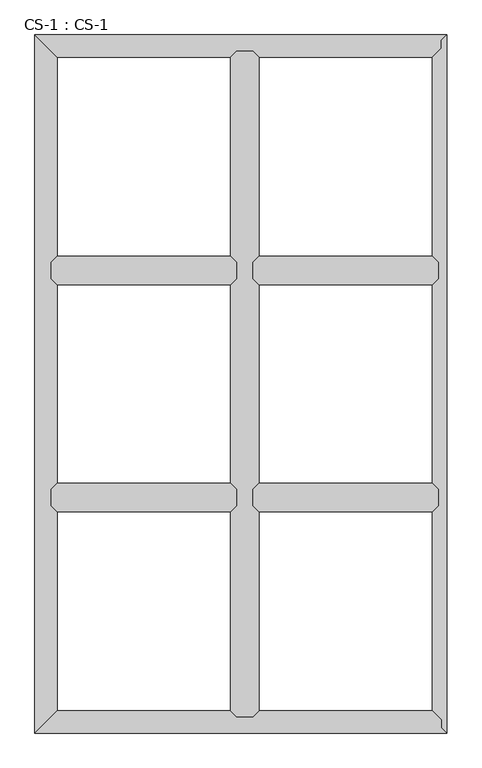
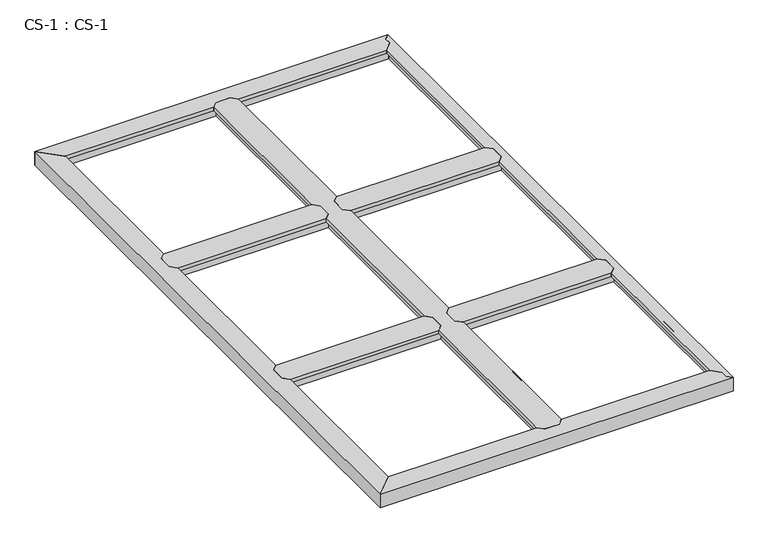
"""IFC4 building model written with IfcOpenShell, lengths in millimetres: proxy geometry, CS-1 : CS-1."""

import ifcopenshell
import ifcopenshell.guid

model = None  # the IFC model being written
_history = None  # IfcOwnerHistory: only IFC2X3 demands one
_inside = {}  # id of a spatial element -> (the spatial element, [elements in it])
_under = {}  # id of a project, library or spatial element -> (it, [spatial elements below it])
_declared = {}  # id of a project -> (the project, [libraries it declares])
_typed = {}  # id of a type object -> (the type object, [elements of that type])
_made_of = {}  # id of a material, layer set ... -> (it, [elements and type objects made of it])


def new_model(schema):
    """Start an empty IFC model of exactly this schema.

    Asked for "IFC4X3", IfcOpenShell would pick the latest addendum, in which some entities
    have other attributes; the version numbers below select the first issue.
    IFC2X3 requires an IfcOwnerHistory on every rooted entity: one is made here for all.
    """
    global model, _history
    if schema == "IFC4X3":
        model = ifcopenshell.file(schema_version=(4, 3, 0, 0))
    else:
        model = ifcopenshell.file(schema=schema)
    _inside.clear()
    _under.clear()
    _declared.clear()
    _typed.clear()
    _made_of.clear()
    _history = None
    if model.schema == "IFC2X3":
        org = make("IfcOrganization", Name="unknown")
        user = make(
            "IfcPersonAndOrganization",
            ThePerson=make("IfcPerson", FamilyName="unknown"),
            TheOrganization=org,
        )
        app = make(
            "IfcApplication",
            ApplicationDeveloper=org,
            Version="unknown",
            ApplicationFullName="unknown",
            ApplicationIdentifier="unknown",
        )
        _history = make(
            "IfcOwnerHistory",
            OwningUser=user,
            OwningApplication=app,
            ChangeAction="ADDED",
            CreationDate=0,
        )
    return model


def make(cls, **values):
    """One entity of the class cls with the attributes given. An attribute that is None is left unset."""
    return model.create_entity(
        cls, **{name: value for name, value in values.items() if value is not None}
    )


def rooted(cls, **values):
    """An entity with a GlobalId (a new one), such as an element, a storey or a relation."""
    return make(cls, GlobalId=ifcopenshell.guid.new(), OwnerHistory=_history, **values)


def si_unit(unit_type, name, prefix=None):
    """IfcSIUnit, for example si_unit("LENGTHUNIT", "METRE", prefix="MILLI")."""
    return make("IfcSIUnit", UnitType=unit_type, Prefix=prefix, Name=name)


def assignment(units):
    """IfcUnitAssignment: the units of a project."""
    return None if units is None else make("IfcUnitAssignment", Units=units)


def point(xyz):
    """IfcCartesianPoint."""
    return None if xyz is None else make("IfcCartesianPoint", Coordinates=xyz)


def direction(xyz):
    """IfcDirection."""
    return None if xyz is None else make("IfcDirection", DirectionRatios=xyz)


def frame(location, z_axis=None, x_axis=None):
    """IfcAxis2Placement3D, a coordinate frame: its origin and axes. An axis left out is left unset."""
    return make(
        "IfcAxis2Placement3D",
        Location=point(location),
        Axis=direction(z_axis),
        RefDirection=direction(x_axis),
    )


def origin():
    """The frame at (0, 0, 0) with its axes left unset."""
    return frame((0.0, 0.0, 0.0))


def place(relative_to, where):
    """IfcLocalPlacement: puts the frame where relative to a parent placement (None: the world)."""
    return make(
        "IfcLocalPlacement", PlacementRelTo=relative_to, RelativePlacement=where
    )


def context(
    kind, dimensions, precision=None, world=None, true_north=None, identifier=None
):
    """IfcGeometricRepresentationContext, for example the 3D "Model" context."""
    return make(
        "IfcGeometricRepresentationContext",
        ContextIdentifier=identifier,
        ContextType=kind,
        CoordinateSpaceDimension=dimensions,
        Precision=precision,
        WorldCoordinateSystem=world,
        TrueNorth=true_north,
    )


def project(units=None, contexts=None):
    """IfcProject with its units and contexts."""
    return rooted(
        "IfcProject",
        Name="project",
        RepresentationContexts=contexts,
        UnitsInContext=assignment(units),
    )


def spatial(cls, under=None, at=None, **own):
    """A site, building, storey or space (cls), placed at a placement, below another one or the project."""
    s = rooted(cls, ObjectPlacement=at, **own)
    if under is not None:
        _under.setdefault(under.id(), (under, []))[1].append(s)
    return s


def faces_of(points, faces, orient=None, outer=None):
    """IfcFace entities. A face is a list of loops; a loop is a list of indices into points, from 0.

    orient and outer hold one flag for each loop. By default every Orientation is true, the
    first loop of a face is its IfcFaceOuterBound and the others are IfcFaceBound.
    """
    made = []
    for i, loops in enumerate(faces):
        bounds = []
        for j, loop in enumerate(loops):
            is_outer = j == 0 if outer is None else outer[i][j]
            bounds.append(
                make(
                    "IfcFaceOuterBound" if is_outer else "IfcFaceBound",
                    Bound=make("IfcPolyLoop", Polygon=[points[k] for k in loop]),
                    Orientation=True if orient is None else orient[i][j],
                )
            )
        made.append(make("IfcFace", Bounds=bounds))
    return made


def faceted_brep(points, faces, orient=None, outer=None, voids=None):
    """IfcFacetedBrep: a solid bounded by flat faces; with voids (closed shells), ...WithVoids."""
    shared = [point(p) for p in points]
    hull = make("IfcClosedShell", CfsFaces=faces_of(shared, faces, orient, outer))
    if voids is None:
        return make("IfcFacetedBrep", Outer=hull)
    return make(
        "IfcFacetedBrepWithVoids",
        Outer=hull,
        Voids=[
            make(cls, CfsFaces=faces_of(shared, fs, o, b)) for cls, fs, o, b in voids
        ],
    )


def shape(context_of_items, identifier, shape_type, items):
    """IfcShapeRepresentation: the items that make up one representation, for example the "Body"."""
    return make(
        "IfcShapeRepresentation",
        ContextOfItems=context_of_items,
        RepresentationIdentifier=identifier,
        RepresentationType=shape_type,
        Items=items,
    )


def source(mapping_origin, context_of_items, identifier, shape_type, items):
    """IfcRepresentationMap: a shape defined once, which mapped items show again and again."""
    return make(
        "IfcRepresentationMap",
        MappingOrigin=mapping_origin,
        MappedRepresentation=shape(context_of_items, identifier, shape_type, items),
    )


def transform(
    local_origin,
    x_axis=None,
    y_axis=None,
    z_axis=None,
    scale=None,
    scale2=None,
    scale3=None,
    uniform=True,
):
    """IfcCartesianTransformationOperator3D, or its non-uniform kind. x_axis, y_axis, z_axis: its Axis1, 2, 3."""
    if uniform:
        return make(
            "IfcCartesianTransformationOperator3D",
            Axis1=direction(x_axis),
            Axis2=direction(y_axis),
            LocalOrigin=point(local_origin),
            Scale=scale,
            Axis3=direction(z_axis),
        )
    return make(
        "IfcCartesianTransformationOperator3DnonUniform",
        Axis1=direction(x_axis),
        Axis2=direction(y_axis),
        LocalOrigin=point(local_origin),
        Scale=scale,
        Axis3=direction(z_axis),
        Scale2=scale2,
        Scale3=scale3,
    )


def mapped(mapping_source, mapping_target):
    """IfcMappedItem: shows the shape of a source again, moved by a transform."""
    return make(
        "IfcMappedItem", MappingSource=mapping_source, MappingTarget=mapping_target
    )


def made_of(thing, what):
    """Note that an element or type object is made of a material, layer set ...; save() writes the relation."""
    if what is not None:
        _made_of.setdefault(what.id(), (what, []))[1].append(thing)
    return thing


def element(
    cls,
    number,
    at=None,
    inside=None,
    cuts=None,
    type_object=None,
    material=None,
    context=None,
    identifier="Body",
    shape_type=None,
    held_by="IfcProductDefinitionShape",
    body=None,
    shapes=None,
    **own,
):
    """One element of the class cls, such as IfcWall. Its Tag is "e" and its number.

    at: its placement. inside: the storey or other place that contains it. cuts: it is an
    opening in that element (IfcRelVoidsElement). A single representation is given by context,
    identifier, shape_type and body (its items); several are given by shapes. held_by: the class
    of the entity that holds the representations. save() writes the other relations.
    """
    e = rooted(cls, Tag="e%d" % number, ObjectPlacement=at, **own)
    if body is not None:
        shapes = [shape(context, identifier, shape_type, body)]
    if shapes is not None:
        e.Representation = make(held_by, Representations=shapes)
    if inside is not None:
        _inside.setdefault(inside.id(), (inside, []))[1].append(e)
    if cuts is not None:
        rooted(
            "IfcRelVoidsElement", RelatingBuildingElement=cuts, RelatedOpeningElement=e
        )
    if type_object is not None:
        _typed.setdefault(type_object.id(), (type_object, []))[1].append(e)
    return made_of(e, material)


def aggregate(whole, parts):
    """IfcRelAggregates: a whole, such as a stair, and the parts it consists of."""
    return rooted("IfcRelAggregates", RelatingObject=whole, RelatedObjects=parts)


def save(model, path):
    """Write the relations noted so far, then the file.

    IfcRelAggregates (storeys below a building ...), IfcRelContainedInSpatialStructure (elements
    in a storey), IfcRelDefinesByType, IfcRelAssociatesMaterial and IfcRelDeclares: one each for
    every whole, place, type object, material and project.
    """
    for whole, parts in _under.values():
        aggregate(whole, parts)
    for where, things in _inside.values():
        rooted(
            "IfcRelContainedInSpatialStructure",
            RelatedElements=things,
            RelatingStructure=where,
        )
    for kind, things in _typed.values():
        rooted("IfcRelDefinesByType", RelatedObjects=things, RelatingType=kind)
    for what, things in _made_of.values():
        rooted("IfcRelAssociatesMaterial", RelatedObjects=things, RelatingMaterial=what)
    for by, libraries in _declared.values():
        rooted("IfcRelDeclares", RelatingContext=by, RelatedDefinitions=libraries)
    model.write(path)


def cs_1_cs_1_2136af8d(model_context):
    return source(origin(), model_context, "Body", "Brep", [
        faceted_brep([(812.8, 914.4, 46.355), (812.8, 914.4, 0.0), (812.8, 921.385, 0.0), (812.8, 921.385, 63.5), (812.8, 973.455, 63.5), (812.8, 973.455, 0.0), (812.8, 980.44, 0.0), (812.8, 980.44, 46.355), (812.8, 980.44, 66.675), (812.8, 914.4, 66.675), (66.04, 980.44, 46.355), (66.04, 980.44, 0.0), (66.04, 973.455, 0.0), (66.04, 973.455, 63.5), (66.04, 921.385, 63.5), (66.04, 921.385, 0.0), (66.04, 914.4, 0.0), (66.04, 914.4, 46.355), (66.04, 914.4, 66.675), (66.04, 980.44, 66.675), (90.678, 1005.078, 66.675), (788.162, 1005.078, 66.675), (788.162, 1005.078, 49.8094), (90.678, 1005.078, 49.8094), (789.686, 1003.554, 49.8094), (89.154, 1003.554, 49.8094), (789.686, 1003.554, 64.643), (89.154, 1003.554, 64.643), (799.973, 993.267, 64.643), (78.867, 993.267, 64.643), (799.973, 993.267, 46.355), (78.867, 993.267, 46.355), (799.973, 901.573, 46.355), (78.867, 901.573, 46.355), (799.973, 901.573, 64.643), (78.867, 901.573, 64.643), (789.686, 891.286, 64.643), (89.154, 891.286, 64.643), (789.686, 891.286, 49.8094), (89.154, 891.286, 49.8094), (788.162, 889.762, 49.8094), (90.678, 889.762, 49.8094), (788.162, 889.762, 66.675), (90.678, 889.762, 66.675)], [[[0, 1, 2, 3, 4, 5, 6, 7, 8, 9]], [[10, 11, 12, 13, 14, 15, 16, 17, 18, 19]], [[20, 21, 22, 23]], [[23, 22, 24, 25]], [[25, 24, 26, 27]], [[27, 26, 28, 29]], [[29, 28, 30, 31]], [[7, 10, 31, 30]], [[7, 6, 11, 10]], [[6, 5, 12, 11]], [[5, 4, 13, 12]], [[4, 3, 14, 13]], [[3, 2, 15, 14]], [[2, 1, 16, 15]], [[1, 0, 17, 16]], [[17, 0, 32, 33]], [[33, 32, 34, 35]], [[35, 34, 36, 37]], [[37, 36, 38, 39]], [[39, 38, 40, 41]], [[41, 40, 42, 43]], [[9, 8, 21, 20, 19, 18, 43, 42]], [[10, 19, 20, 23, 25, 27, 29, 31]], [[18, 17, 33, 35, 37, 39, 41, 43]], [[0, 9, 42, 40, 38, 36, 34, 32]], [[8, 7, 30, 28, 26, 24, 22, 21]]]),
        faceted_brep([(812.8, 1828.8, 46.355), (812.8, 1828.8, 0.0), (812.8, 1835.785, 0.0), (812.8, 1835.785, 63.5), (812.8, 1887.855, 63.5), (812.8, 1887.855, 0.0), (812.8, 1894.84, 0.0), (812.8, 1894.84, 46.355), (812.8, 1894.84, 66.675), (812.8, 1828.8, 66.675), (66.04, 1894.84, 46.355), (66.04, 1894.84, 0.0), (66.04, 1887.855, 0.0), (66.04, 1887.855, 63.5), (66.04, 1835.785, 63.5), (66.04, 1835.785, 0.0), (66.04, 1828.8, 0.0), (66.04, 1828.8, 46.355), (66.04, 1828.8, 66.675), (66.04, 1894.84, 66.675), (90.678, 1919.478, 66.675), (788.162, 1919.478, 66.675), (788.162, 1919.478, 49.8094), (90.678, 1919.478, 49.8094), (789.686, 1917.954, 49.8094), (89.154, 1917.954, 49.8094), (789.686, 1917.954, 64.643), (89.154, 1917.954, 64.643), (799.973, 1907.667, 64.643), (78.867, 1907.667, 64.643), (799.973, 1907.667, 46.355), (78.867, 1907.667, 46.355), (799.973, 1815.973, 46.355), (78.867, 1815.973, 46.355), (799.973, 1815.973, 64.643), (78.867, 1815.973, 64.643), (789.686, 1805.686, 64.643), (89.154, 1805.686, 64.643), (789.686, 1805.686, 49.8094), (89.154, 1805.686, 49.8094), (788.162, 1804.162, 49.8094), (90.678, 1804.162, 49.8094), (788.162, 1804.162, 66.675), (90.678, 1804.162, 66.675)], [[[0, 1, 2, 3, 4, 5, 6, 7, 8, 9]], [[10, 11, 12, 13, 14, 15, 16, 17, 18, 19]], [[20, 21, 22, 23]], [[23, 22, 24, 25]], [[25, 24, 26, 27]], [[27, 26, 28, 29]], [[29, 28, 30, 31]], [[7, 10, 31, 30]], [[7, 6, 11, 10]], [[6, 5, 12, 11]], [[5, 4, 13, 12]], [[4, 3, 14, 13]], [[3, 2, 15, 14]], [[2, 1, 16, 15]], [[1, 0, 17, 16]], [[17, 0, 32, 33]], [[33, 32, 34, 35]], [[35, 34, 36, 37]], [[37, 36, 38, 39]], [[39, 38, 40, 41]], [[41, 40, 42, 43]], [[9, 8, 21, 20, 19, 18, 43, 42]], [[10, 19, 20, 23, 25, 27, 29, 31]], [[18, 17, 33, 35, 37, 39, 41, 43]], [[0, 9, 42, 40, 38, 36, 34, 32]], [[8, 7, 30, 28, 26, 24, 22, 21]]]),
        faceted_brep([(1625.6, 1828.8, 46.355), (1625.6, 1828.8, 0.0), (1625.6, 1835.785, 0.0), (1625.6, 1835.785, 63.5), (1625.6, 1887.855, 63.5), (1625.6, 1887.855, 0.0), (1625.6, 1894.84, 0.0), (1625.6, 1894.84, 46.355), (1625.6, 1894.84, 66.675), (1625.6, 1828.8, 66.675), (878.84, 1894.84, 46.355), (878.84, 1894.84, 0.0), (878.84, 1887.855, 0.0), (878.84, 1887.855, 63.5), (878.84, 1835.785, 63.5), (878.84, 1835.785, 0.0), (878.84, 1828.8, 0.0), (878.84, 1828.8, 46.355), (878.84, 1828.8, 66.675), (878.84, 1894.84, 66.675), (903.478, 1919.478, 66.675), (1600.962, 1919.478, 66.675), (1600.962, 1919.478, 49.8094), (903.478, 1919.478, 49.8094), (1602.486, 1917.954, 49.8094), (901.954, 1917.954, 49.8094), (1602.486, 1917.954, 64.643), (901.954, 1917.954, 64.643), (1612.773, 1907.667, 64.643), (891.667, 1907.667, 64.643), (1612.773, 1907.667, 46.355), (891.667, 1907.667, 46.355), (1612.773, 1815.973, 46.355), (891.667, 1815.973, 46.355), (1612.773, 1815.973, 64.643), (891.667, 1815.973, 64.643), (1602.486, 1805.686, 64.643), (901.954, 1805.686, 64.643), (1602.486, 1805.686, 49.8094), (901.954, 1805.686, 49.8094), (1600.962, 1804.162, 49.8094), (903.478, 1804.162, 49.8094), (1600.962, 1804.162, 66.675), (903.478, 1804.162, 66.675)], [[[0, 1, 2, 3, 4, 5, 6, 7, 8, 9]], [[10, 11, 12, 13, 14, 15, 16, 17, 18, 19]], [[20, 21, 22, 23]], [[23, 22, 24, 25]], [[25, 24, 26, 27]], [[27, 26, 28, 29]], [[29, 28, 30, 31]], [[7, 10, 31, 30]], [[7, 6, 11, 10]], [[6, 5, 12, 11]], [[5, 4, 13, 12]], [[4, 3, 14, 13]], [[3, 2, 15, 14]], [[2, 1, 16, 15]], [[1, 0, 17, 16]], [[17, 0, 32, 33]], [[33, 32, 34, 35]], [[35, 34, 36, 37]], [[37, 36, 38, 39]], [[39, 38, 40, 41]], [[41, 40, 42, 43]], [[9, 8, 21, 20, 19, 18, 43, 42]], [[10, 19, 20, 23, 25, 27, 29, 31]], [[18, 17, 33, 35, 37, 39, 41, 43]], [[0, 9, 42, 40, 38, 36, 34, 32]], [[8, 7, 30, 28, 26, 24, 22, 21]]]),
        faceted_brep([(1625.6, 914.4, 46.355), (1625.6, 914.4, 0.0), (1625.6, 921.385, 0.0), (1625.6, 921.385, 63.5), (1625.6, 973.455, 63.5), (1625.6, 973.455, 0.0), (1625.6, 980.44, 0.0), (1625.6, 980.44, 46.355), (1625.6, 980.44, 66.675), (1625.6, 914.4, 66.675), (878.84, 980.44, 46.355), (878.84, 980.44, 0.0), (878.84, 973.455, 0.0), (878.84, 973.455, 63.5), (878.84, 921.385, 63.5), (878.84, 921.385, 0.0), (878.84, 914.4, 0.0), (878.84, 914.4, 46.355), (878.84, 914.4, 66.675), (878.84, 980.44, 66.675), (903.478, 1005.078, 66.675), (1600.962, 1005.078, 66.675), (1600.962, 1005.078, 49.8094), (903.478, 1005.078, 49.8094), (1602.486, 1003.554, 49.8094), (901.954, 1003.554, 49.8094), (1602.486, 1003.554, 64.643), (901.954, 1003.554, 64.643), (1612.773, 993.267, 64.643), (891.667, 993.267, 64.643), (1612.773, 993.267, 46.355), (891.667, 993.267, 46.355), (1612.773, 901.573, 46.355), (891.667, 901.573, 46.355), (1612.773, 901.573, 64.643), (891.667, 901.573, 64.643), (1602.486, 891.286, 64.643), (901.954, 891.286, 64.643), (1602.486, 891.286, 49.8094), (901.954, 891.286, 49.8094), (1600.962, 889.762, 49.8094), (903.478, 889.762, 49.8094), (1600.962, 889.762, 66.675), (903.478, 889.762, 66.675)], [[[0, 1, 2, 3, 4, 5, 6, 7, 8, 9]], [[10, 11, 12, 13, 14, 15, 16, 17, 18, 19]], [[20, 21, 22, 23]], [[23, 22, 24, 25]], [[25, 24, 26, 27]], [[27, 26, 28, 29]], [[29, 28, 30, 31]], [[7, 10, 31, 30]], [[7, 6, 11, 10]], [[6, 5, 12, 11]], [[5, 4, 13, 12]], [[4, 3, 14, 13]], [[3, 2, 15, 14]], [[2, 1, 16, 15]], [[1, 0, 17, 16]], [[17, 0, 32, 33]], [[33, 32, 34, 35]], [[35, 34, 36, 37]], [[37, 36, 38, 39]], [[39, 38, 40, 41]], [[41, 40, 42, 43]], [[9, 8, 21, 20, 19, 18, 43, 42]], [[10, 19, 20, 23, 25, 27, 29, 31]], [[18, 17, 33, 35, 37, 39, 41, 43]], [[0, 9, 42, 40, 38, 36, 34, 32]], [[8, 7, 30, 28, 26, 24, 22, 21]]]),
        faceted_brep([(878.84, 2743.2, 46.355), (878.84, 2743.2, 0.0), (871.855, 2743.2, 0.0), (871.855, 2743.2, 63.5), (819.785, 2743.2, 63.5), (819.785, 2743.2, 0.0), (812.8, 2743.2, 0.0), (812.8, 2743.2, 46.355), (812.8, 2743.2, 66.675), (878.84, 2743.2, 66.675), (812.8, 66.04, 46.355), (812.8, 66.04, 0.0), (819.785, 66.04, 0.0), (819.785, 66.04, 63.5), (871.855, 66.04, 63.5), (871.855, 66.04, 0.0), (878.84, 66.04, 0.0), (878.84, 66.04, 46.355), (878.84, 66.04, 66.675), (812.8, 66.04, 66.675), (788.162, 90.678, 49.8094), (788.162, 90.678, 66.675), (788.162, 889.762, 66.675), (788.162, 889.762, 49.8094), (788.162, 2718.562, 66.675), (788.162, 2718.562, 49.8094), (788.162, 1919.478, 49.8094), (788.162, 1919.478, 66.675), (788.162, 1005.078, 49.8094), (788.162, 1005.078, 66.675), (788.162, 1804.162, 66.675), (788.162, 1804.162, 49.8094), (789.686, 89.154, 49.8094), (789.686, 891.286, 49.8094), (789.686, 2720.086, 49.8094), (789.686, 1917.954, 49.8094), (789.686, 1003.554, 49.8094), (789.686, 1805.686, 49.8094), (789.686, 89.154, 64.643), (789.686, 891.286, 64.643), (789.686, 2720.086, 64.643), (789.686, 1917.954, 64.643), (789.686, 1003.554, 64.643), (789.686, 1805.686, 64.643), (799.973, 78.867, 64.643), (799.973, 901.573, 64.643), (799.973, 2730.373, 64.643), (799.973, 1907.667, 64.643), (799.973, 993.267, 64.643), (799.973, 1815.973, 64.643), (799.973, 78.867, 46.355), (799.973, 901.573, 46.355), (799.973, 2730.373, 46.355), (799.973, 1907.667, 46.355), (799.973, 993.267, 46.355), (799.973, 1815.973, 46.355), (812.8, 914.4, 46.355), (812.8, 1894.84, 46.355), (812.8, 980.44, 46.355), (812.8, 1828.8, 46.355), (812.8, 914.4, 66.675), (812.8, 980.44, 66.675), (812.8, 1828.8, 66.675), (812.8, 1894.84, 66.675), (878.84, 1894.84, 46.355), (878.84, 1894.84, 66.675), (878.84, 1828.8, 66.675), (878.84, 1828.8, 46.355), (878.84, 980.44, 46.355), (878.84, 980.44, 66.675), (878.84, 914.4, 66.675), (878.84, 914.4, 46.355), (891.667, 78.867, 46.355), (891.667, 901.573, 46.355), (891.667, 2730.373, 46.355), (891.667, 1907.667, 46.355), (891.667, 993.267, 46.355), (891.667, 1815.973, 46.355), (891.667, 78.867, 64.643), (891.667, 901.573, 64.643), (891.667, 2730.373, 64.643), (891.667, 1907.667, 64.643), (891.667, 993.267, 64.643), (891.667, 1815.973, 64.643), (901.954, 89.154, 64.643), (901.954, 891.286, 64.643), (901.954, 2720.086, 64.643), (901.954, 1917.954, 64.643), (901.954, 1003.554, 64.643), (901.954, 1805.686, 64.643), (901.954, 89.154, 49.8094), (901.954, 891.286, 49.8094), (901.954, 2720.086, 49.8094), (901.954, 1917.954, 49.8094), (901.954, 1003.554, 49.8094), (901.954, 1805.686, 49.8094), (903.478, 90.678, 49.8094), (903.478, 889.762, 49.8094), (903.478, 2718.562, 49.8094), (903.478, 1919.478, 49.8094), (903.478, 1005.078, 49.8094), (903.478, 1804.162, 49.8094), (903.478, 90.678, 66.675), (903.478, 889.762, 66.675), (903.478, 2718.562, 66.675), (903.478, 1919.478, 66.675), (903.478, 1005.078, 66.675), (903.478, 1804.162, 66.675)], [[[0, 1, 2, 3, 4, 5, 6, 7, 8, 9]], [[10, 11, 12, 13, 14, 15, 16, 17, 18, 19]], [[20, 21, 22, 23]], [[24, 25, 26, 27]], [[28, 29, 30, 31]], [[32, 20, 23, 33]], [[25, 34, 35, 26]], [[36, 28, 31, 37]], [[38, 32, 33, 39]], [[34, 40, 41, 35]], [[42, 36, 37, 43]], [[44, 38, 39, 45]], [[40, 46, 47, 41]], [[48, 42, 43, 49]], [[50, 44, 45, 51]], [[46, 52, 53, 47]], [[54, 48, 49, 55]], [[10, 50, 51, 56]], [[52, 7, 57, 53]], [[58, 54, 55, 59]], [[7, 6, 11, 10, 56, 60, 61, 58, 59, 62, 63, 57]], [[6, 5, 12, 11]], [[5, 4, 13, 12]], [[4, 3, 14, 13]], [[3, 2, 15, 14]], [[2, 1, 16, 15]], [[1, 0, 64, 65, 66, 67, 68, 69, 70, 71, 17, 16]], [[72, 17, 71, 73]], [[0, 74, 75, 64]], [[76, 68, 67, 77]], [[78, 72, 73, 79]], [[74, 80, 81, 75]], [[82, 76, 77, 83]], [[84, 78, 79, 85]], [[80, 86, 87, 81]], [[88, 82, 83, 89]], [[90, 84, 85, 91]], [[86, 92, 93, 87]], [[94, 88, 89, 95]], [[96, 90, 91, 97]], [[92, 98, 99, 93]], [[100, 94, 95, 101]], [[102, 96, 97, 103]], [[98, 104, 105, 99]], [[106, 100, 101, 107]], [[9, 8, 24, 27, 63, 62, 30, 29, 61, 60, 22, 21, 19, 18, 102, 103, 70, 69, 106, 107, 66, 65, 105, 104]], [[10, 19, 21, 20, 32, 38, 44, 50]], [[18, 17, 72, 78, 84, 90, 96, 102]], [[0, 9, 104, 98, 92, 86, 80, 74]], [[8, 7, 52, 46, 40, 34, 25, 24]], [[60, 56, 51, 45, 39, 33, 23, 22]], [[58, 61, 29, 28, 36, 42, 48, 54]], [[62, 59, 55, 49, 43, 37, 31, 30]], [[57, 63, 27, 26, 35, 41, 47, 53]], [[69, 68, 76, 82, 88, 94, 100, 106]], [[71, 70, 103, 97, 91, 85, 79, 73]], [[65, 64, 75, 81, 87, 93, 99, 105]], [[67, 66, 107, 101, 95, 89, 83, 77]]]),
        faceted_brep([(1658.62, 0.0, 0.0), (0.0, 0.0, 0.0), (6.985, 6.985, 0.0), (1651.635, 6.985, 0.0), (1651.635, 6.985, 63.5), (6.985, 6.985, 63.5), (1637.03, 21.59, 63.5), (59.055, 59.055, 63.5), (1631.5093878, 59.055, 63.5), (1637.03, 53.34, 63.5), (1631.5093878, 59.055, 0.0), (59.055, 59.055, 0.0), (66.04, 66.04, 0.0), (1624.7619728, 66.04, 0.0), (1624.7619728, 66.04, 46.355), (66.04, 66.04, 46.355), (812.8, 66.04, 46.355), (812.8, 66.04, 66.675), (878.84, 66.04, 66.675), (878.84, 66.04, 46.355), (1612.3712653, 78.867, 46.355), (891.667, 78.867, 46.355), (78.867, 78.867, 46.355), (799.973, 78.867, 46.355), (1612.3712653, 78.867, 63.5), (891.667, 78.867, 63.5), (78.867, 78.867, 63.5), (799.973, 78.867, 63.5), (1602.4341633, 89.154, 63.5), (901.954, 89.154, 63.5), (89.154, 89.154, 63.5), (789.686, 89.154, 63.5), (1602.4341633, 89.154, 49.8094), (901.954, 89.154, 49.8094), (89.154, 89.154, 49.8094), (789.686, 89.154, 49.8094), (1600.962, 90.678, 49.8094), (903.478, 90.678, 49.8094), (90.678, 90.678, 49.8094), (788.162, 90.678, 49.8094), (1600.962, 90.678, 66.675), (903.478, 90.678, 66.675), (90.678, 90.678, 66.675), (788.162, 90.678, 66.675), (0.0, 0.0, 66.675), (1658.62, 0.0, 66.675), (1637.03, 21.59, 66.675), (1637.03, 53.34, 66.675)], [[[0, 1, 2, 3]], [[4, 3, 2, 5]], [[6, 4, 5, 7, 8, 9]], [[10, 8, 7, 11]], [[12, 13, 10, 11]], [[14, 13, 12, 15, 16, 17, 18, 19]], [[20, 14, 19, 21]], [[15, 22, 23, 16]], [[24, 20, 21, 25]], [[22, 26, 27, 23]], [[28, 24, 25, 29]], [[26, 30, 31, 27]], [[32, 28, 29, 33]], [[30, 34, 35, 31]], [[36, 32, 33, 37]], [[34, 38, 39, 35]], [[40, 36, 37, 41]], [[38, 42, 43, 39]], [[44, 45, 46, 47, 40, 41, 18, 17, 43, 42]], [[1, 0, 45, 44]], [[6, 46, 45, 0, 3, 4]], [[47, 9, 8, 10, 13, 14, 20, 24, 28, 32, 36, 40]], [[46, 6, 9, 47]], [[2, 1, 44, 42, 38, 34, 30, 26, 22, 15, 12, 11, 7, 5]], [[17, 16, 23, 27, 31, 35, 39, 43]], [[19, 18, 41, 37, 33, 29, 25, 21]]]),
        faceted_brep([(1658.62, 0.0, 66.675), (1658.62, 2809.24, 66.675), (1637.03, 2787.65, 66.675), (1637.03, 2755.9, 66.675), (1600.962, 2718.562, 66.675), (1600.962, 1919.478, 66.675), (1625.6, 1894.84, 66.675), (1625.6, 1828.8, 66.675), (1600.962, 1804.162, 66.675), (1600.962, 1005.078, 66.675), (1625.6, 980.44, 66.675), (1625.6, 914.4, 66.675), (1600.962, 889.762, 66.675), (1600.962, 90.678, 66.675), (1637.03, 53.34, 66.675), (1637.03, 21.59, 66.675), (1658.62, 0.0, 63.5), (1658.62, 2809.24, 63.5), (1637.03, 21.59, 63.5), (1637.03, 53.34, 63.5), (1632.585, 57.9415141, 63.5), (1632.585, 2751.2984859, 63.5), (1637.03, 2755.9, 63.5), (1637.03, 2787.65, 63.5), (1632.585, 2751.2984859, 0.0), (1632.585, 57.9415141, 0.0), (1625.6, 65.1724648, 0.0), (1625.6, 2744.0675352, 0.0), (1625.6, 2744.0675352, 46.355), (1625.6, 65.1724648, 46.355), (1625.6, 914.4, 46.355), (1625.6, 980.44, 46.355), (1625.6, 1828.8, 46.355), (1625.6, 1894.84, 46.355), (1612.773, 2730.7888803, 46.355), (1612.773, 1907.667, 46.355), (1612.773, 78.4511197, 46.355), (1612.773, 901.573, 46.355), (1612.773, 1815.973, 46.355), (1612.773, 993.267, 46.355), (1612.773, 2730.7888803, 64.643), (1612.773, 1907.667, 64.643), (1612.773, 78.4511197, 64.643), (1612.773, 901.573, 64.643), (1612.773, 1815.973, 64.643), (1612.773, 993.267, 64.643), (1602.486, 2720.139662, 64.643), (1602.486, 1917.954, 64.643), (1602.486, 89.100338, 64.643), (1602.486, 891.286, 64.643), (1602.486, 1805.686, 64.643), (1602.486, 1003.554, 64.643), (1602.486, 2720.139662, 49.8094), (1602.486, 1917.954, 49.8094), (1602.486, 89.100338, 49.8094), (1602.486, 891.286, 49.8094), (1602.486, 1805.686, 49.8094), (1602.486, 1003.554, 49.8094), (1600.962, 2718.562, 49.8094), (1600.962, 1919.478, 49.8094), (1600.962, 90.678, 49.8094), (1600.962, 889.762, 49.8094), (1600.962, 1804.162, 49.8094), (1600.962, 1005.078, 49.8094)], [[[0, 1, 2, 3, 4, 5, 6, 7, 8, 9, 10, 11, 12, 13, 14, 15]], [[1, 0, 16, 17]], [[17, 16, 18, 19, 20, 21, 22, 23]], [[24, 21, 20, 25]], [[26, 27, 24, 25]], [[28, 27, 26, 29, 30, 11, 10, 31, 32, 7, 6, 33]], [[34, 28, 33, 35]], [[29, 36, 37, 30]], [[38, 32, 31, 39]], [[40, 34, 35, 41]], [[36, 42, 43, 37]], [[44, 38, 39, 45]], [[46, 40, 41, 47]], [[42, 48, 49, 43]], [[50, 44, 45, 51]], [[52, 46, 47, 53]], [[48, 54, 55, 49]], [[56, 50, 51, 57]], [[58, 52, 53, 59]], [[54, 60, 61, 55]], [[62, 56, 57, 63]], [[4, 58, 59, 5]], [[60, 13, 12, 61]], [[8, 62, 63, 9]], [[23, 2, 1, 17]], [[3, 22, 21, 24, 27, 28, 34, 40, 46, 52, 58, 4]], [[2, 23, 22, 3]], [[18, 15, 14, 19]], [[19, 14, 13, 60, 54, 48, 42, 36, 29, 26, 25, 20]], [[15, 18, 16, 0]], [[7, 32, 38, 44, 50, 56, 62, 8]], [[33, 6, 5, 59, 53, 47, 41, 35]], [[11, 30, 37, 43, 49, 55, 61, 12]], [[31, 10, 9, 63, 57, 51, 45, 39]]]),
        faceted_brep([(0.0, 2809.24, 0.0), (1658.62, 2809.24, 0.0), (1651.635, 2802.255, 0.0), (6.985, 2802.255, 0.0), (6.985, 2802.255, 63.5), (1651.635, 2802.255, 63.5), (59.055, 2750.185, 63.5), (1637.03, 2787.65, 63.5), (1637.03, 2755.9, 63.5), (1631.5093878, 2750.185, 63.5), (59.055, 2750.185, 0.0), (1631.5093878, 2750.185, 0.0), (1624.7619728, 2743.2, 0.0), (66.04, 2743.2, 0.0), (66.04, 2743.2, 46.355), (1624.7619728, 2743.2, 46.355), (878.84, 2743.2, 46.355), (878.84, 2743.2, 66.675), (812.8, 2743.2, 66.675), (812.8, 2743.2, 46.355), (78.867, 2730.373, 46.355), (799.973, 2730.373, 46.355), (1612.3712653, 2730.373, 46.355), (891.667, 2730.373, 46.355), (78.867, 2730.373, 63.5), (799.973, 2730.373, 63.5), (1612.3712653, 2730.373, 63.5), (891.667, 2730.373, 63.5), (89.154, 2720.086, 63.5), (789.686, 2720.086, 63.5), (1602.4341633, 2720.086, 63.5), (901.954, 2720.086, 63.5), (89.154, 2720.086, 49.8094), (789.686, 2720.086, 49.8094), (1602.4341633, 2720.086, 49.8094), (901.954, 2720.086, 49.8094), (90.678, 2718.562, 49.8094), (788.162, 2718.562, 49.8094), (1600.962, 2718.562, 49.8094), (903.478, 2718.562, 49.8094), (90.678, 2718.562, 66.675), (788.162, 2718.562, 66.675), (1600.962, 2718.562, 66.675), (903.478, 2718.562, 66.675), (1658.62, 2809.24, 66.675), (0.0, 2809.24, 66.675), (1637.03, 2755.9, 66.675), (1637.03, 2787.65, 66.675)], [[[0, 1, 2, 3]], [[4, 3, 2, 5]], [[6, 4, 5, 7, 8, 9]], [[10, 6, 9, 11]], [[12, 13, 10, 11]], [[14, 13, 12, 15, 16, 17, 18, 19]], [[20, 14, 19, 21]], [[15, 22, 23, 16]], [[24, 20, 21, 25]], [[22, 26, 27, 23]], [[28, 24, 25, 29]], [[26, 30, 31, 27]], [[32, 28, 29, 33]], [[30, 34, 35, 31]], [[36, 32, 33, 37]], [[34, 38, 39, 35]], [[40, 36, 37, 41]], [[38, 42, 43, 39]], [[44, 45, 40, 41, 18, 17, 43, 42, 46, 47]], [[1, 0, 45, 44]], [[0, 3, 4, 6, 10, 13, 14, 20, 24, 28, 32, 36, 40, 45]], [[7, 47, 46, 8]], [[8, 46, 42, 38, 34, 30, 26, 22, 15, 12, 11, 9]], [[47, 7, 5, 2, 1, 44]], [[17, 16, 23, 27, 31, 35, 39, 43]], [[19, 18, 41, 37, 33, 29, 25, 21]]]),
        faceted_brep([(0.0, 0.0, 0.0), (0.0, 2809.24, 0.0), (6.985, 2802.255, 0.0), (6.985, 6.985, 0.0), (6.985, 6.985, 63.5), (6.985, 2802.255, 63.5), (59.055, 59.055, 63.5), (59.055, 2750.185, 63.5), (59.055, 59.055, 0.0), (59.055, 2750.185, 0.0), (66.04, 2743.2, 0.0), (66.04, 66.04, 0.0), (66.04, 66.04, 46.355), (66.04, 2743.2, 46.355), (66.04, 1894.84, 46.355), (66.04, 1894.84, 66.675), (66.04, 1828.8, 66.675), (66.04, 1828.8, 46.355), (66.04, 980.44, 46.355), (66.04, 980.44, 66.675), (66.04, 914.4, 66.675), (66.04, 914.4, 46.355), (78.867, 78.867, 46.355), (78.867, 901.573, 46.355), (78.867, 2730.373, 46.355), (78.867, 1907.667, 46.355), (78.867, 993.267, 46.355), (78.867, 1815.973, 46.355), (78.867, 78.867, 63.5), (78.867, 901.573, 63.5), (78.867, 2730.373, 63.5), (78.867, 1907.667, 63.5), (78.867, 993.267, 63.5), (78.867, 1815.973, 63.5), (89.154, 89.154, 63.5), (89.154, 891.286, 63.5), (89.154, 2720.086, 63.5), (89.154, 1917.954, 63.5), (89.154, 1003.554, 63.5), (89.154, 1805.686, 63.5), (89.154, 89.154, 49.8094), (89.154, 891.286, 49.8094), (89.154, 2720.086, 49.8094), (89.154, 1917.954, 49.8094), (89.154, 1003.554, 49.8094), (89.154, 1805.686, 49.8094), (90.678, 90.678, 49.8094), (90.678, 889.762, 49.8094), (90.678, 2718.562, 49.8094), (90.678, 1919.478, 49.8094), (90.678, 1005.078, 49.8094), (90.678, 1804.162, 49.8094), (90.678, 90.678, 66.675), (90.678, 889.762, 66.675), (90.678, 2718.562, 66.675), (90.678, 1919.478, 66.675), (90.678, 1005.078, 66.675), (90.678, 1804.162, 66.675), (0.0, 2809.24, 66.675), (0.0, 0.0, 66.675)], [[[0, 1, 2, 3]], [[4, 3, 2, 5]], [[6, 4, 5, 7]], [[8, 6, 7, 9]], [[10, 11, 8, 9]], [[12, 11, 10, 13, 14, 15, 16, 17, 18, 19, 20, 21]], [[22, 12, 21, 23]], [[13, 24, 25, 14]], [[26, 18, 17, 27]], [[28, 22, 23, 29]], [[24, 30, 31, 25]], [[32, 26, 27, 33]], [[34, 28, 29, 35]], [[30, 36, 37, 31]], [[38, 32, 33, 39]], [[40, 34, 35, 41]], [[36, 42, 43, 37]], [[44, 38, 39, 45]], [[46, 40, 41, 47]], [[42, 48, 49, 43]], [[50, 44, 45, 51]], [[52, 46, 47, 53]], [[48, 54, 55, 49]], [[56, 50, 51, 57]], [[58, 59, 52, 53, 20, 19, 56, 57, 16, 15, 55, 54]], [[1, 0, 59, 58]], [[0, 3, 4, 6, 8, 11, 12, 22, 28, 34, 40, 46, 52, 59]], [[2, 1, 58, 54, 48, 42, 36, 30, 24, 13, 10, 9, 7, 5]], [[19, 18, 26, 32, 38, 44, 50, 56]], [[21, 20, 53, 47, 41, 35, 29, 23]], [[15, 14, 25, 31, 37, 43, 49, 55]], [[17, 16, 57, 51, 45, 39, 33, 27]]]),
    ])


if __name__ == "__main__":
    model = new_model("IFC4")
    model_context = context("Model", 3, world=origin())
    ifc_project = project(units=[si_unit("LENGTHUNIT", "METRE", prefix="MILLI")], contexts=[model_context])
    site = spatial("IfcSite", under=ifc_project)
    building = spatial("IfcBuilding", under=site)
    placement = place(None, origin())
    cs_1_cs_1_shape = cs_1_cs_1_2136af8d(model_context)
    element("IfcBuildingElementProxy", 1, Name="CS-1 : CS-1", ObjectType="CS-1 : CS-1", at=placement, inside=building, context=model_context, shape_type="MappedRepresentation", body=[
        mapped(cs_1_cs_1_shape, transform((0.0, 0.0, 0.0), x_axis=(1.0, 0.0, 0.0), y_axis=(0.0, 1.0, 0.0), z_axis=(0.0, 0.0, 1.0))),
    ])
    save(model, "model.ifc")
